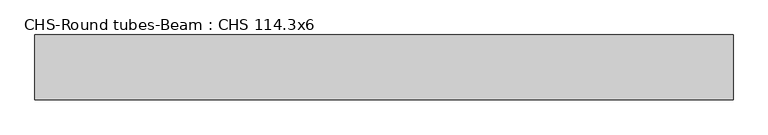
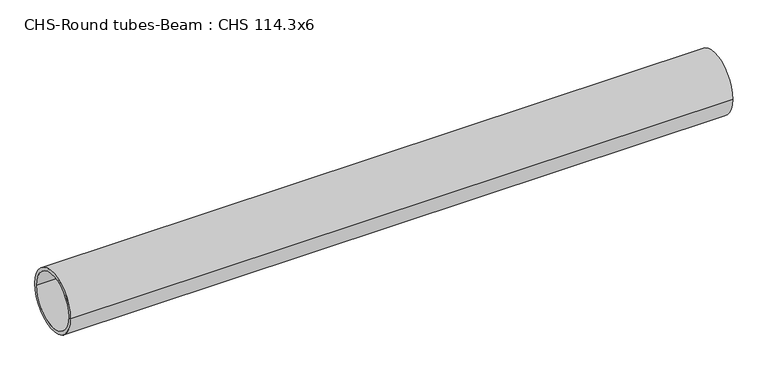
"""IFC4 building model written with IfcOpenShell, lengths in millimetres: beam geometry, CHS-Round tubes-Beam : CHS 114.3x6."""

from ifc_helpers import new_model, si_unit, point, frame, origin, origin_2d, place, context, project, spatial, circle_curve, trimmed, segment, composite_curve, outline, extrude, source, transform, mapped, element, save


def chs_round_tubes_beam_chs_114_3x6_d96ccb27(model_context):
    return source(origin(), model_context, "Body", "SweptSolid", [
        extrude(outline(composite_curve([segment(trimmed(circle_curve(origin_2d(), 57.15), [point((57.15, 0.0))], [point((-57.15, 0.0))], False, "CARTESIAN"), True, "CONTINUOUS"), segment(trimmed(circle_curve(origin_2d(), 57.15), [point((-57.15, 0.0))], [point((57.15, 0.0))], False, "CARTESIAN"), True, "CONTINUOUS")], self_intersect=False), holes=[composite_curve([segment(trimmed(circle_curve(origin_2d(), 51.15), [point((51.15, 0.0))], [point((-51.15, 0.0))], True, "CARTESIAN"), True, "CONTINUOUS"), segment(trimmed(circle_curve(origin_2d(), 51.15), [point((-51.15, 0.0))], [point((51.15, 0.0))], True, "CARTESIAN"), True, "CONTINUOUS")], self_intersect=False)]), frame((-616.2056083, 0.0, 0.0), z_axis=(1.0, 0.0, 0.0), x_axis=(0.0, 1.0, 0.0)), (0.0, 0.0, 1.0), 1232.409907),
    ])


if __name__ == "__main__":
    model = new_model("IFC4")
    model_context = context("Model", 3, world=origin())
    ifc_project = project(units=[si_unit("LENGTHUNIT", "METRE", prefix="MILLI")], contexts=[model_context])
    site = spatial("IfcSite", under=ifc_project)
    building = spatial("IfcBuilding", under=site)
    placement = place(None, origin())
    chs_round_tubes_beam_chs_114_3x6_shape = chs_round_tubes_beam_chs_114_3x6_d96ccb27(model_context)
    element("IfcBeam", 1, ObjectType="CHS-Round tubes-Beam : CHS 114.3x6", at=placement, inside=building, context=model_context, shape_type="MappedRepresentation", body=[
        mapped(chs_round_tubes_beam_chs_114_3x6_shape, transform((0.0, 0.0, 0.0), x_axis=(1.0, 0.0, 0.0), y_axis=(0.0, 1.0, 0.0), z_axis=(0.0, 0.0, 1.0))),
    ])
    save(model, "model.ifc")
